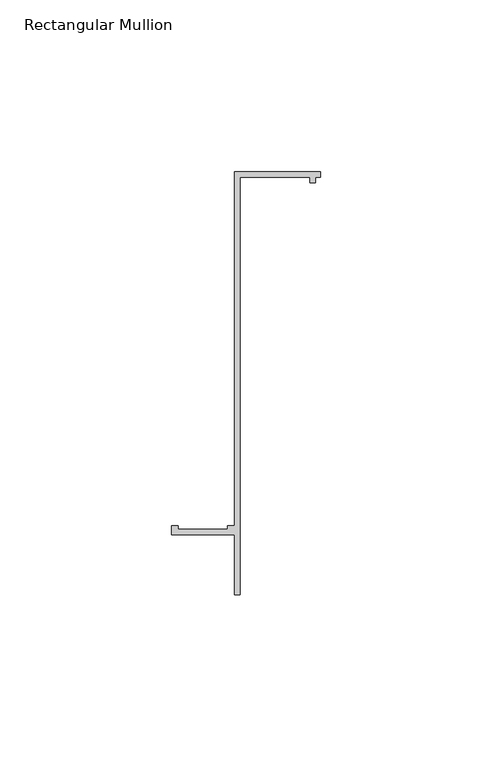
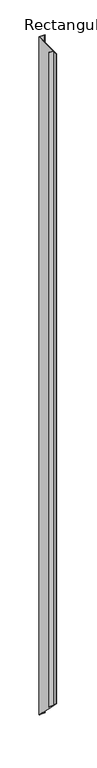
"""IFC4 building model written with IfcOpenShell, lengths in millimetres: member geometry, Rectangular Mullion."""

from ifc_helpers import new_model, si_unit, origin, place, context, project, spatial, faceted_brep, source, transform, mapped, element, save


def rectangular_mullion_d585c4dd(model_context):
    return source(origin(), model_context, "Body", "Brep", [
        faceted_brep([(2e-07, 55.1996656, 0.0), (-24.9999998, 55.199668, 0.0), (-25.00001, -48.000032, 0.0), (-27.0000101, -48.0000318, 0.0), (-27.0000101, -49.0000318, 0.0), (-41.4017469, -49.0000304, 0.0), (-41.4017469, -48.0000304, 0.0), (-43.40001, -48.0000302, 0.0), (-43.4000102, -50.6000302, 0.0), (-25.0000102, -50.600032, 0.0), (-25.0000119, -68.000032, 0.0), (-23.4000119, -68.0000321, 0.0), (-23.4, 53.5996679, 0.0), (-3.0, 53.5996659, 0.0), (-3.0000002, 51.9996659, 0.0), (-1.4000002, 51.9996657, 0.0), (-1.4, 53.5996657, 0.0), (0.0, 53.5996656, 0.0), (2e-07, 55.1996656, -3003.1284731), (-24.9999998, 55.199668, -3003.1284755), (-25.00001, -48.000032, -2899.9287755), (-27.0000101, -48.0000318, -2899.9287757), (-27.0000101, -49.0000318, -2898.9287757), (-41.4017469, -49.0000304, -2898.9287771), (-41.4017469, -48.0000304, -2899.9287771), (-43.40001, -48.0000302, -2899.9287773), (-43.4000102, -50.6000302, -2897.3287773), (-25.0000102, -50.600032, -2897.3287755), (-25.0000119, -68.000032, -2879.9287755), (-23.4000119, -68.0000321, -2879.9287754), (-23.4, 53.5996679, -3001.5284754), (-3.0, 53.5996659, -3001.5284734), (-3.0000002, 51.9996659, -2999.9284734), (-1.4000002, 51.9996657, -2999.9284732), (-1.4, 53.5996657, -3001.5284732), (0.0, 53.5996656, -3001.5284731)], [[[0, 1, 2, 3, 4, 5, 6, 7, 8, 9, 10, 11, 12, 13, 14, 15, 16, 17]], [[1, 0, 18, 19]], [[2, 1, 19, 20]], [[3, 2, 20, 21]], [[4, 3, 21, 22]], [[5, 4, 22, 23]], [[6, 5, 23, 24]], [[7, 6, 24, 25]], [[8, 7, 25, 26]], [[9, 8, 26, 27]], [[10, 9, 27, 28]], [[11, 10, 28, 29]], [[12, 11, 29, 30]], [[13, 12, 30, 31]], [[14, 13, 31, 32]], [[15, 14, 32, 33]], [[16, 15, 33, 34]], [[17, 16, 34, 35]], [[0, 17, 35, 18]], [[18, 35, 34, 33, 32, 31, 30, 29, 28, 27, 26, 25, 24, 23, 22, 21, 20, 19]]]),
    ])


if __name__ == "__main__":
    model = new_model("IFC4")
    model_context = context("Model", 3, world=origin())
    ifc_project = project(units=[si_unit("LENGTHUNIT", "METRE", prefix="MILLI")], contexts=[model_context])
    site = spatial("IfcSite", under=ifc_project)
    building = spatial("IfcBuilding", under=site)
    placement = place(None, origin())
    rectangular_mullion_shape = rectangular_mullion_d585c4dd(model_context)
    element("IfcMember", 1, ObjectType="Rectangular Mullion", at=placement, inside=building, context=model_context, shape_type="MappedRepresentation", body=[
        mapped(rectangular_mullion_shape, transform((0.0, 0.0, 0.0), x_axis=(1.0, 0.0, 0.0), y_axis=(0.0, 1.0, 0.0), z_axis=(0.0, 0.0, 1.0))),
    ])
    save(model, "model.ifc")
